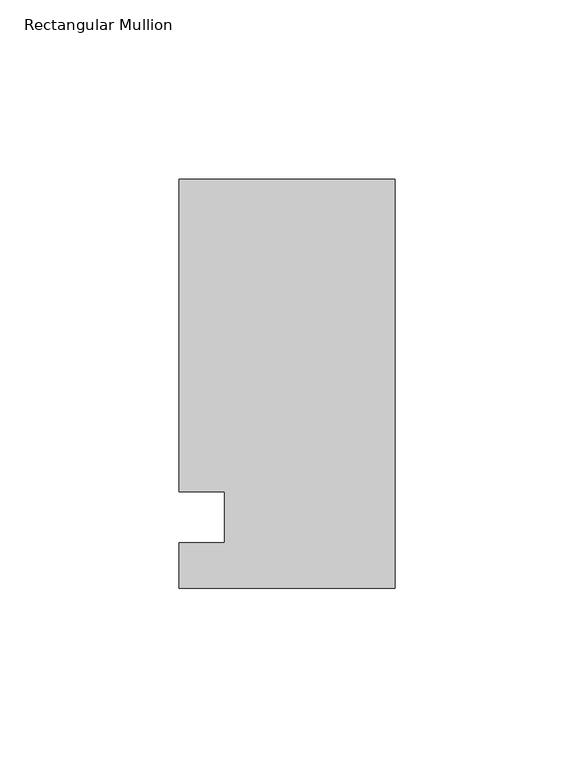
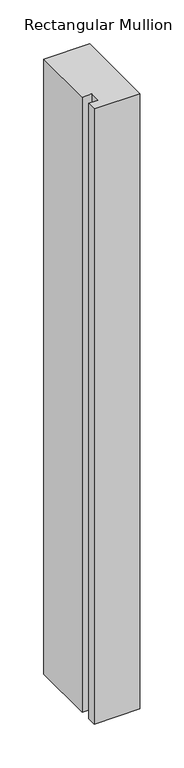
"""IFC4 building model written with IfcOpenShell, lengths in millimetres: member geometry, Rectangular Mullion."""

import ifcopenshell
import ifcopenshell.guid

model = None  # the IFC model being written
_history = None  # IfcOwnerHistory: only IFC2X3 demands one
_inside = {}  # id of a spatial element -> (the spatial element, [elements in it])
_under = {}  # id of a project, library or spatial element -> (it, [spatial elements below it])
_declared = {}  # id of a project -> (the project, [libraries it declares])
_typed = {}  # id of a type object -> (the type object, [elements of that type])
_made_of = {}  # id of a material, layer set ... -> (it, [elements and type objects made of it])


def new_model(schema):
    """Start an empty IFC model of exactly this schema.

    Asked for "IFC4X3", IfcOpenShell would pick the latest addendum, in which some entities
    have other attributes; the version numbers below select the first issue.
    IFC2X3 requires an IfcOwnerHistory on every rooted entity: one is made here for all.
    """
    global model, _history
    if schema == "IFC4X3":
        model = ifcopenshell.file(schema_version=(4, 3, 0, 0))
    else:
        model = ifcopenshell.file(schema=schema)
    _inside.clear()
    _under.clear()
    _declared.clear()
    _typed.clear()
    _made_of.clear()
    _history = None
    if model.schema == "IFC2X3":
        org = make("IfcOrganization", Name="unknown")
        user = make(
            "IfcPersonAndOrganization",
            ThePerson=make("IfcPerson", FamilyName="unknown"),
            TheOrganization=org,
        )
        app = make(
            "IfcApplication",
            ApplicationDeveloper=org,
            Version="unknown",
            ApplicationFullName="unknown",
            ApplicationIdentifier="unknown",
        )
        _history = make(
            "IfcOwnerHistory",
            OwningUser=user,
            OwningApplication=app,
            ChangeAction="ADDED",
            CreationDate=0,
        )
    return model


def make(cls, **values):
    """One entity of the class cls with the attributes given. An attribute that is None is left unset."""
    return model.create_entity(
        cls, **{name: value for name, value in values.items() if value is not None}
    )


def rooted(cls, **values):
    """An entity with a GlobalId (a new one), such as an element, a storey or a relation."""
    return make(cls, GlobalId=ifcopenshell.guid.new(), OwnerHistory=_history, **values)


def si_unit(unit_type, name, prefix=None):
    """IfcSIUnit, for example si_unit("LENGTHUNIT", "METRE", prefix="MILLI")."""
    return make("IfcSIUnit", UnitType=unit_type, Prefix=prefix, Name=name)


def assignment(units):
    """IfcUnitAssignment: the units of a project."""
    return None if units is None else make("IfcUnitAssignment", Units=units)


def point(xyz):
    """IfcCartesianPoint."""
    return None if xyz is None else make("IfcCartesianPoint", Coordinates=xyz)


def direction(xyz):
    """IfcDirection."""
    return None if xyz is None else make("IfcDirection", DirectionRatios=xyz)


def frame(location, z_axis=None, x_axis=None):
    """IfcAxis2Placement3D, a coordinate frame: its origin and axes. An axis left out is left unset."""
    return make(
        "IfcAxis2Placement3D",
        Location=point(location),
        Axis=direction(z_axis),
        RefDirection=direction(x_axis),
    )


def origin():
    """The frame at (0, 0, 0) with its axes left unset."""
    return frame((0.0, 0.0, 0.0))


def place(relative_to, where):
    """IfcLocalPlacement: puts the frame where relative to a parent placement (None: the world)."""
    return make(
        "IfcLocalPlacement", PlacementRelTo=relative_to, RelativePlacement=where
    )


def context(
    kind, dimensions, precision=None, world=None, true_north=None, identifier=None
):
    """IfcGeometricRepresentationContext, for example the 3D "Model" context."""
    return make(
        "IfcGeometricRepresentationContext",
        ContextIdentifier=identifier,
        ContextType=kind,
        CoordinateSpaceDimension=dimensions,
        Precision=precision,
        WorldCoordinateSystem=world,
        TrueNorth=true_north,
    )


def project(units=None, contexts=None):
    """IfcProject with its units and contexts."""
    return rooted(
        "IfcProject",
        Name="project",
        RepresentationContexts=contexts,
        UnitsInContext=assignment(units),
    )


def spatial(cls, under=None, at=None, **own):
    """A site, building, storey or space (cls), placed at a placement, below another one or the project."""
    s = rooted(cls, ObjectPlacement=at, **own)
    if under is not None:
        _under.setdefault(under.id(), (under, []))[1].append(s)
    return s


def polyline(points):
    """IfcPolyline through the points."""
    return make("IfcPolyline", Points=[point(p) for p in points])


def outline(outer, holes=None, kind="AREA"):
    """IfcArbitraryClosedProfileDef: a profile drawn as a closed curve; with holes, ...WithVoids."""
    if holes is None:
        return make("IfcArbitraryClosedProfileDef", ProfileType=kind, OuterCurve=outer)
    return make(
        "IfcArbitraryProfileDefWithVoids",
        ProfileType=kind,
        OuterCurve=outer,
        InnerCurves=holes,
    )


def extrude(swept, where, along, depth):
    """IfcExtrudedAreaSolid: the profile swept, set in the frame where, extruded along a direction by depth."""
    return make(
        "IfcExtrudedAreaSolid",
        SweptArea=swept,
        Position=where,
        ExtrudedDirection=direction(along),
        Depth=depth,
    )


def shape(context_of_items, identifier, shape_type, items):
    """IfcShapeRepresentation: the items that make up one representation, for example the "Body"."""
    return make(
        "IfcShapeRepresentation",
        ContextOfItems=context_of_items,
        RepresentationIdentifier=identifier,
        RepresentationType=shape_type,
        Items=items,
    )


def source(mapping_origin, context_of_items, identifier, shape_type, items):
    """IfcRepresentationMap: a shape defined once, which mapped items show again and again."""
    return make(
        "IfcRepresentationMap",
        MappingOrigin=mapping_origin,
        MappedRepresentation=shape(context_of_items, identifier, shape_type, items),
    )


def transform(
    local_origin,
    x_axis=None,
    y_axis=None,
    z_axis=None,
    scale=None,
    scale2=None,
    scale3=None,
    uniform=True,
):
    """IfcCartesianTransformationOperator3D, or its non-uniform kind. x_axis, y_axis, z_axis: its Axis1, 2, 3."""
    if uniform:
        return make(
            "IfcCartesianTransformationOperator3D",
            Axis1=direction(x_axis),
            Axis2=direction(y_axis),
            LocalOrigin=point(local_origin),
            Scale=scale,
            Axis3=direction(z_axis),
        )
    return make(
        "IfcCartesianTransformationOperator3DnonUniform",
        Axis1=direction(x_axis),
        Axis2=direction(y_axis),
        LocalOrigin=point(local_origin),
        Scale=scale,
        Axis3=direction(z_axis),
        Scale2=scale2,
        Scale3=scale3,
    )


def mapped(mapping_source, mapping_target):
    """IfcMappedItem: shows the shape of a source again, moved by a transform."""
    return make(
        "IfcMappedItem", MappingSource=mapping_source, MappingTarget=mapping_target
    )


def made_of(thing, what):
    """Note that an element or type object is made of a material, layer set ...; save() writes the relation."""
    if what is not None:
        _made_of.setdefault(what.id(), (what, []))[1].append(thing)
    return thing


def element(
    cls,
    number,
    at=None,
    inside=None,
    cuts=None,
    type_object=None,
    material=None,
    context=None,
    identifier="Body",
    shape_type=None,
    held_by="IfcProductDefinitionShape",
    body=None,
    shapes=None,
    **own,
):
    """One element of the class cls, such as IfcWall. Its Tag is "e" and its number.

    at: its placement. inside: the storey or other place that contains it. cuts: it is an
    opening in that element (IfcRelVoidsElement). A single representation is given by context,
    identifier, shape_type and body (its items); several are given by shapes. held_by: the class
    of the entity that holds the representations. save() writes the other relations.
    """
    e = rooted(cls, Tag="e%d" % number, ObjectPlacement=at, **own)
    if body is not None:
        shapes = [shape(context, identifier, shape_type, body)]
    if shapes is not None:
        e.Representation = make(held_by, Representations=shapes)
    if inside is not None:
        _inside.setdefault(inside.id(), (inside, []))[1].append(e)
    if cuts is not None:
        rooted(
            "IfcRelVoidsElement", RelatingBuildingElement=cuts, RelatedOpeningElement=e
        )
    if type_object is not None:
        _typed.setdefault(type_object.id(), (type_object, []))[1].append(e)
    return made_of(e, material)


def aggregate(whole, parts):
    """IfcRelAggregates: a whole, such as a stair, and the parts it consists of."""
    return rooted("IfcRelAggregates", RelatingObject=whole, RelatedObjects=parts)


def save(model, path):
    """Write the relations noted so far, then the file.

    IfcRelAggregates (storeys below a building ...), IfcRelContainedInSpatialStructure (elements
    in a storey), IfcRelDefinesByType, IfcRelAssociatesMaterial and IfcRelDeclares: one each for
    every whole, place, type object, material and project.
    """
    for whole, parts in _under.values():
        aggregate(whole, parts)
    for where, things in _inside.values():
        rooted(
            "IfcRelContainedInSpatialStructure",
            RelatedElements=things,
            RelatingStructure=where,
        )
    for kind, things in _typed.values():
        rooted("IfcRelDefinesByType", RelatedObjects=things, RelatingType=kind)
    for what, things in _made_of.values():
        rooted("IfcRelAssociatesMaterial", RelatedObjects=things, RelatingMaterial=what)
    for by, libraries in _declared.values():
        rooted("IfcRelDeclares", RelatingContext=by, RelatedDefinitions=libraries)
    model.write(path)


def rectangular_mullion_1f21eecb(model_context):
    return source(origin(), model_context, "Body", "SweptSolid", [
        extrude(outline(polyline([(-60.325, 94.45625), (0.0, 94.45625), (0.0, -19.84375), (-60.325, -19.84375), (-60.325, -7.14375), (-47.625, -7.14375), (-47.625, 7.14375), (-60.325, 7.14375), (-60.325, 94.45625)])), frame((0.0, 0.0, -855.2344027), z_axis=(0.0, 0.0, 1.0), x_axis=(1.0, 0.0, 0.0)), (0.0, 0.0, 1.0), 855.2344027),
    ])


if __name__ == "__main__":
    model = new_model("IFC4")
    model_context = context("Model", 3, world=origin())
    ifc_project = project(units=[si_unit("LENGTHUNIT", "METRE", prefix="MILLI")], contexts=[model_context])
    site = spatial("IfcSite", under=ifc_project)
    building = spatial("IfcBuilding", under=site)
    placement = place(None, origin())
    rectangular_mullion_shape = rectangular_mullion_1f21eecb(model_context)
    element("IfcMember", 1, ObjectType="Rectangular Mullion", at=placement, inside=building, context=model_context, shape_type="MappedRepresentation", body=[
        mapped(rectangular_mullion_shape, transform((0.0, 0.0, 0.0), x_axis=(1.0, 0.0, 0.0), y_axis=(0.0, 1.0, 0.0), z_axis=(0.0, 0.0, 1.0))),
    ])
    save(model, "model.ifc")
